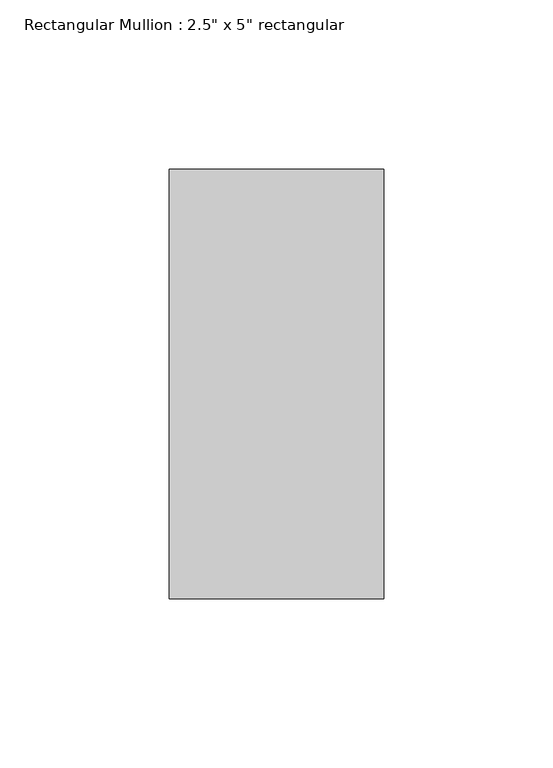
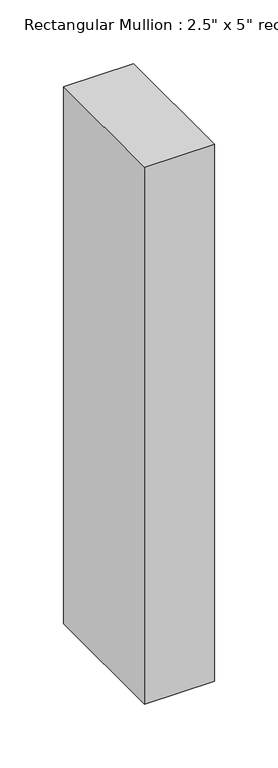
"""IFC4 building model written with IfcOpenShell, lengths in millimetres: member geometry."""

from ifc_helpers import new_model, si_unit, frame, origin, place, context, project, spatial, polyline, outline, extrude, source, transform, mapped, element, save


def member_b2902233(model_context):
    return source(origin(), model_context, "Body", "SweptSolid", [
        extrude(outline(polyline([(31.75, 63.5), (31.75, -63.5), (-31.75, -63.5), (-31.75, 63.5), (31.75, 63.5)])), frame((0.0, 0.0, -514.3500497), z_axis=(0.0, 0.0, 1.0), x_axis=(1.0, 0.0, 0.0)), (0.0, 0.0, 1.0), 514.3500497),
    ])


if __name__ == "__main__":
    model = new_model("IFC4")
    model_context = context("Model", 3, world=origin())
    ifc_project = project(units=[si_unit("LENGTHUNIT", "METRE", prefix="MILLI")], contexts=[model_context])
    site = spatial("IfcSite", under=ifc_project)
    building = spatial("IfcBuilding", under=site)
    placement = place(None, origin())
    member_shape = member_b2902233(model_context)
    element("IfcMember", 1, ObjectType="Rectangular Mullion : 2.5\" x 5\" rectangular", at=placement, inside=building, context=model_context, shape_type="MappedRepresentation", body=[
        mapped(member_shape, transform((0.0, 0.0, 0.0), x_axis=(1.0, 0.0, 0.0), y_axis=(0.0, 1.0, 0.0), z_axis=(0.0, 0.0, 1.0))),
    ])
    save(model, "model.ifc")
